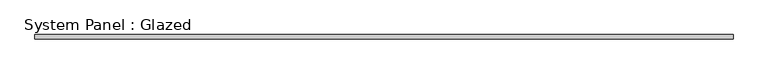
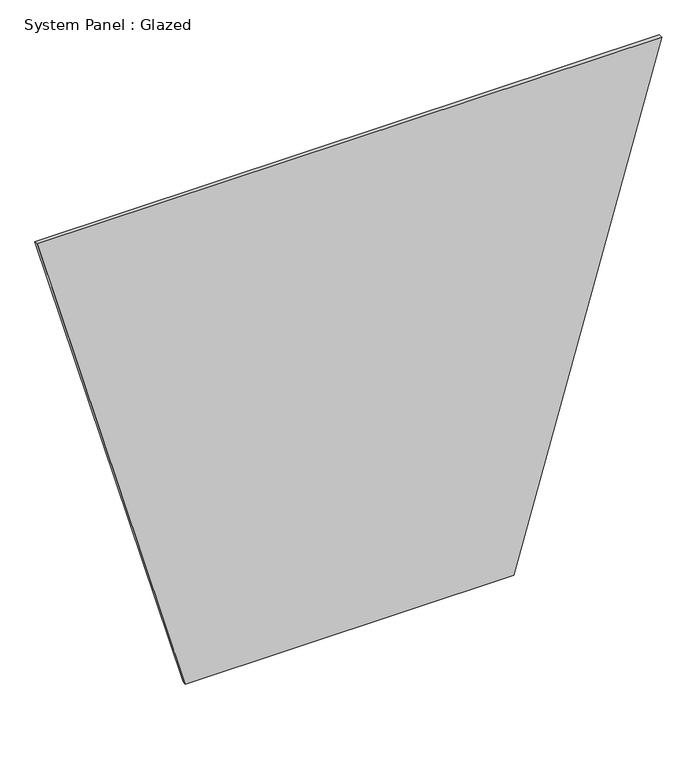
"""IFC4 building model written with IfcOpenShell, lengths in millimetres: plate geometry, System Panel : Glazed."""

from ifc_helpers import new_model, si_unit, frame, origin, place, context, project, spatial, polyline, outline, extrude, source, transform, mapped, element, save


def system_panel_glazed_3eccdc8f(model_context):
    return source(origin(), model_context, "Body", "SweptSolid", [
        extrude(outline(polyline([(0.0, -1050.4065309), (0.0, 1050.4065309), (3308.5351632, 1997.991952), (3308.5351632, -1997.991952), (0.0, -1050.4065309)])), frame((0.0, -49.5, 0.0), z_axis=(0.0, 1.0, 0.0), x_axis=(0.0, 0.0, 1.0)), (0.0, 0.0, 1.0), 25.0),
    ])


if __name__ == "__main__":
    model = new_model("IFC4")
    model_context = context("Model", 3, world=origin())
    ifc_project = project(units=[si_unit("LENGTHUNIT", "METRE", prefix="MILLI")], contexts=[model_context])
    site = spatial("IfcSite", under=ifc_project)
    building = spatial("IfcBuilding", under=site)
    placement = place(None, origin())
    system_panel_glazed_shape = system_panel_glazed_3eccdc8f(model_context)
    element("IfcPlate", 1, ObjectType="System Panel : Glazed", at=placement, inside=building, context=model_context, shape_type="MappedRepresentation", body=[
        mapped(system_panel_glazed_shape, transform((0.0, 0.0, 0.0), x_axis=(1.0, 0.0, 0.0), y_axis=(0.0, 1.0, 0.0), z_axis=(0.0, 0.0, 1.0))),
    ])
    save(model, "model.ifc")
